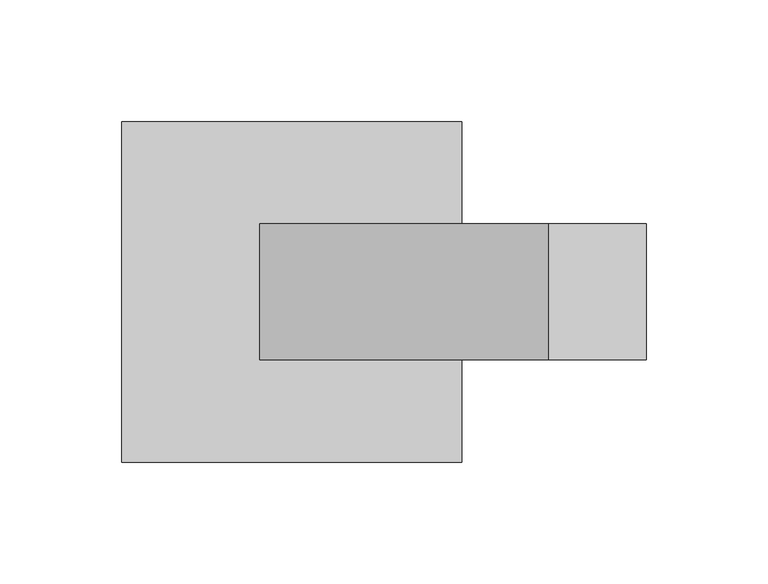
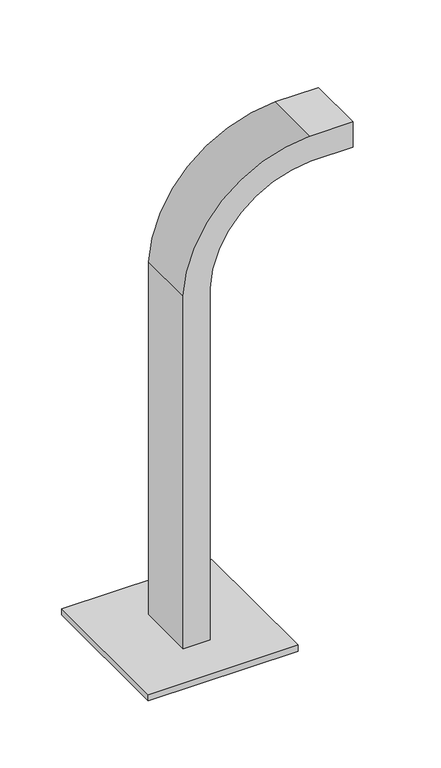
"""IFC4 building model written with IfcOpenShell, lengths in millimetres: furniture geometry."""

from ifc_helpers import new_model, si_unit, point, frame, frame_2d, origin, origin_with_axes, place, context, project, spatial, polyline, circle_curve, trimmed, segment, composite_curve, outline, extrude, source, transform, mapped, element, save


def furniture_b99e7819(model_context):
    return source(origin(), model_context, "Body", "SweptSolid", [
        extrude(outline(composite_curve([segment(polyline([(359.4420469, -633.0547414), (11.0, -633.0547414), (11.0, -608.0547414), (358.7575366, -608.0547414)]), True, "CONTINUOUS"), segment(trimmed(circle_curve(frame_2d((353.0696692, -510.1651072)), 98.0547414), [point((358.7575366, -608.0547414))], [point((451.0547414, -513.8607731))], True, "CARTESIAN"), True, "CONTINUOUS"), segment(polyline([(451.0547414, -513.8607731), (451.0547414, -474.0794885), (476.0547414, -474.0794885), (476.0547414, -514.3053257)]), True, "CONTINUOUS"), segment(trimmed(circle_curve(frame_2d((353.0696692, -510.1651072)), 123.0547414), [point((476.0547414, -514.3053257))], [point((359.4420469, -633.0547414))], False, "CARTESIAN"), True, "CONTINUOUS")], self_intersect=False)), frame((0.0, -27.920928, 0.0), z_axis=(0.0, 1.0, 0.0), x_axis=(0.0, 0.0, 1.0)), (0.0, 0.0, 1.0), 55.8418559),
        extrude(outline(composite_curve([segment(trimmed(circle_curve(frame_2d((-678.0500045, -58.0314537)), 5.0), [point((-683.0500045, -58.0314537))], [point((-673.0500045, -58.0314537))], False, "CARTESIAN"), True, "CONTINUOUS"), segment(trimmed(circle_curve(frame_2d((-678.0500045, -58.0314537)), 5.0), [point((-673.0500045, -58.0314537))], [point((-683.0500045, -58.0314537))], False, "CARTESIAN"), True, "CONTINUOUS")], self_intersect=False)), origin_with_axes(), (0.0, 0.0, 1.0), 5.0),
        extrude(outline(composite_curve([segment(trimmed(circle_curve(frame_2d((-561.9499955, -58.0314537)), 5.0), [point((-566.9499955, -58.0314537))], [point((-556.9499955, -58.0314537))], False, "CARTESIAN"), True, "CONTINUOUS"), segment(trimmed(circle_curve(frame_2d((-561.9499955, -58.0314537)), 5.0), [point((-556.9499955, -58.0314537))], [point((-566.9499955, -58.0314537))], False, "CARTESIAN"), True, "CONTINUOUS")], self_intersect=False)), origin_with_axes(), (0.0, 0.0, 1.0), 5.0),
        extrude(outline(composite_curve([segment(trimmed(circle_curve(frame_2d((-678.0500045, 58.0314537)), 5.0), [point((-683.0500045, 58.0314537))], [point((-673.0500045, 58.0314537))], False, "CARTESIAN"), True, "CONTINUOUS"), segment(trimmed(circle_curve(frame_2d((-678.0500045, 58.0314537)), 5.0), [point((-673.0500045, 58.0314537))], [point((-683.0500045, 58.0314537))], False, "CARTESIAN"), True, "CONTINUOUS")], self_intersect=False)), origin_with_axes(), (0.0, 0.0, 1.0), 5.0),
        extrude(outline(composite_curve([segment(trimmed(circle_curve(frame_2d((-561.9499955, 58.0314537)), 5.0), [point((-566.9499955, 58.0314537))], [point((-556.9499955, 58.0314537))], False, "CARTESIAN"), True, "CONTINUOUS"), segment(trimmed(circle_curve(frame_2d((-561.9499955, 58.0314537)), 5.0), [point((-556.9499955, 58.0314537))], [point((-566.9499955, 58.0314537))], False, "CARTESIAN"), True, "CONTINUOUS")], self_intersect=False)), origin_with_axes(), (0.0, 0.0, 1.0), 5.0),
        extrude(outline(polyline([(-550.0, -70.0), (-690.0, -70.0), (-690.0, 70.0), (-550.0, 70.0), (-550.0, -70.0)])), frame((0.0, 0.0, 5.0), z_axis=(0.0, 0.0, 1.0), x_axis=(1.0, 0.0, 0.0)), (0.0, 0.0, 1.0), 6.0),
    ])


if __name__ == "__main__":
    model = new_model("IFC4")
    model_context = context("Model", 3, world=origin())
    ifc_project = project(units=[si_unit("LENGTHUNIT", "METRE", prefix="MILLI")], contexts=[model_context])
    site = spatial("IfcSite", under=ifc_project)
    building = spatial("IfcBuilding", under=site)
    placement = place(None, origin())
    furniture_shape = furniture_b99e7819(model_context)
    element("IfcFurniture", 1, at=placement, inside=building, context=model_context, shape_type="MappedRepresentation", body=[
        mapped(furniture_shape, transform((0.0, 0.0, 0.0), x_axis=(1.0, 0.0, 0.0), y_axis=(0.0, 1.0, 0.0), z_axis=(0.0, 0.0, 1.0))),
    ])
    save(model, "model.ifc")
